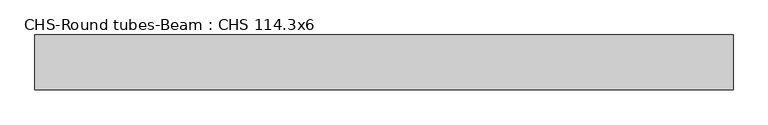
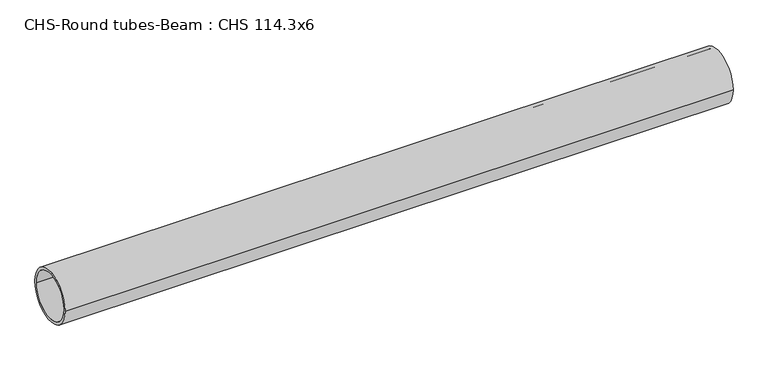
"""IFC4 building model written with IfcOpenShell, lengths in millimetres: beam geometry, CHS-Round tubes-Beam : CHS 114.3x6."""

from ifc_helpers import new_model, si_unit, point, frame, origin, origin_2d, place, context, project, spatial, circle_curve, trimmed, segment, composite_curve, outline, extrude, source, transform, mapped, element, save


def chs_round_tubes_beam_chs_114_3x6_65772f64(model_context):
    return source(origin(), model_context, "Body", "SweptSolid", [
        extrude(outline(composite_curve([segment(trimmed(circle_curve(origin_2d(), 57.15), [point((57.15, 0.0))], [point((-57.15, 0.0))], False, "CARTESIAN"), True, "CONTINUOUS"), segment(trimmed(circle_curve(origin_2d(), 57.15), [point((-57.15, 0.0))], [point((57.15, 0.0))], False, "CARTESIAN"), True, "CONTINUOUS")], self_intersect=False), holes=[composite_curve([segment(trimmed(circle_curve(origin_2d(), 51.15), [point((51.15, 0.0))], [point((-51.15, 0.0))], True, "CARTESIAN"), True, "CONTINUOUS"), segment(trimmed(circle_curve(origin_2d(), 51.15), [point((-51.15, 0.0))], [point((51.15, 0.0))], True, "CARTESIAN"), True, "CONTINUOUS")], self_intersect=False)]), frame((-736.8473082, 0.0, 0.0), z_axis=(1.0, 0.0, 0.0), x_axis=(0.0, 1.0, 0.0)), (0.0, 0.0, 1.0), 1452.2304145),
    ])


if __name__ == "__main__":
    model = new_model("IFC4")
    model_context = context("Model", 3, world=origin())
    ifc_project = project(units=[si_unit("LENGTHUNIT", "METRE", prefix="MILLI")], contexts=[model_context])
    site = spatial("IfcSite", under=ifc_project)
    building = spatial("IfcBuilding", under=site)
    placement = place(None, origin())
    chs_round_tubes_beam_chs_114_3x6_shape = chs_round_tubes_beam_chs_114_3x6_65772f64(model_context)
    element("IfcBeam", 1, ObjectType="CHS-Round tubes-Beam : CHS 114.3x6", at=placement, inside=building, context=model_context, shape_type="MappedRepresentation", body=[
        mapped(chs_round_tubes_beam_chs_114_3x6_shape, transform((0.0, 0.0, 0.0), x_axis=(1.0, 0.0, 0.0), y_axis=(0.0, 1.0, 0.0), z_axis=(0.0, 0.0, 1.0))),
    ])
    save(model, "model.ifc")
